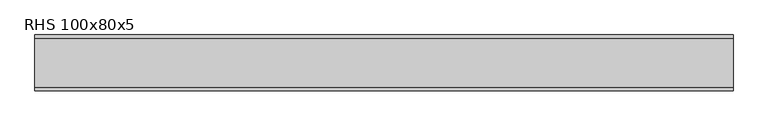
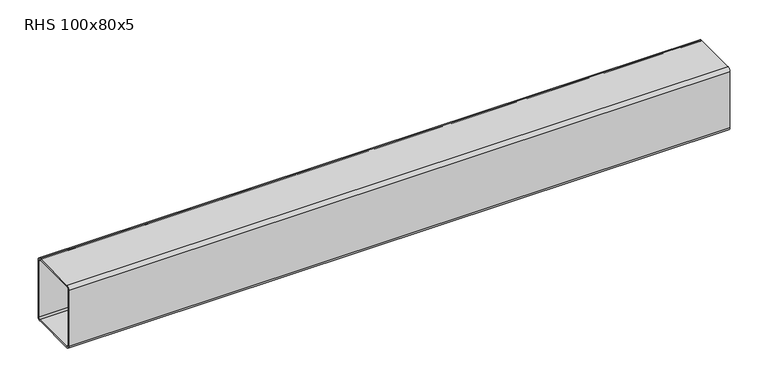
"""IFC4 building model written with IfcOpenShell, lengths in millimetres: beam geometry, RHS 100x80x5."""

from ifc_helpers import new_model, si_unit, point, frame, frame_2d, origin, place, context, project, spatial, polyline, circle_curve, trimmed, segment, composite_curve, outline, extrude, source, transform, mapped, element, save


def rhs_100x80x5_e6e48d72(model_context):
    return source(origin(), model_context, "Body", "SweptSolid", [
        extrude(outline(composite_curve([segment(polyline([(40.0, 45.0), (40.0, -45.0)]), True, "CONTINUOUS"), segment(trimmed(circle_curve(frame_2d((35.0, -45.0)), 5.0), [point((40.0, -45.0))], [point((35.0, -50.0))], False, "CARTESIAN"), True, "CONTINUOUS"), segment(polyline([(35.0, -50.0), (-35.0, -50.0)]), True, "CONTINUOUS"), segment(trimmed(circle_curve(frame_2d((-35.0, -45.0)), 5.0), [point((-35.0, -50.0))], [point((-40.0, -45.0))], False, "CARTESIAN"), True, "CONTINUOUS"), segment(polyline([(-40.0, -45.0), (-40.0, 45.0)]), True, "CONTINUOUS"), segment(trimmed(circle_curve(frame_2d((-35.0, 45.0)), 5.0), [point((-40.0, 45.0))], [point((-35.0, 50.0))], False, "CARTESIAN"), True, "CONTINUOUS"), segment(polyline([(-35.0, 50.0), (35.0, 50.0)]), True, "CONTINUOUS"), segment(trimmed(circle_curve(frame_2d((35.0, 45.0)), 5.0), [point((35.0, 50.0))], [point((40.0, 45.0))], False, "CARTESIAN"), True, "CONTINUOUS")], self_intersect=False), holes=[composite_curve([segment(trimmed(circle_curve(frame_2d((-35.0, 45.0)), 2.5), [point((-35.0, 47.5))], [point((-37.5, 45.0))], True, "CARTESIAN"), True, "CONTINUOUS"), segment(polyline([(-37.5, 45.0), (-37.5, -45.0)]), True, "CONTINUOUS"), segment(trimmed(circle_curve(frame_2d((-35.0, -45.0)), 2.5), [point((-37.5, -45.0))], [point((-35.0, -47.5))], True, "CARTESIAN"), True, "CONTINUOUS"), segment(polyline([(-35.0, -47.5), (35.0, -47.5)]), True, "CONTINUOUS"), segment(trimmed(circle_curve(frame_2d((35.0, -45.0)), 2.5), [point((35.0, -47.5))], [point((37.5, -45.0))], True, "CARTESIAN"), True, "CONTINUOUS"), segment(polyline([(37.5, -45.0), (37.5, 45.0)]), True, "CONTINUOUS"), segment(trimmed(circle_curve(frame_2d((35.0, 45.0)), 2.5), [point((37.5, 45.0))], [point((35.0, 47.5))], True, "CARTESIAN"), True, "CONTINUOUS"), segment(polyline([(35.0, 47.5), (-35.0, 47.5)]), True, "CONTINUOUS")], self_intersect=False)]), frame((-500.4643879, 0.0, 0.0), z_axis=(1.0, 0.0, 0.0), x_axis=(0.0, 1.0, 0.0)), (0.0, 0.0, 1.0), 1000.9287759),
    ])


if __name__ == "__main__":
    model = new_model("IFC4")
    model_context = context("Model", 3, world=origin())
    ifc_project = project(units=[si_unit("LENGTHUNIT", "METRE", prefix="MILLI")], contexts=[model_context])
    site = spatial("IfcSite", under=ifc_project)
    building = spatial("IfcBuilding", under=site)
    placement = place(None, origin())
    rhs_100x80x5_shape = rhs_100x80x5_e6e48d72(model_context)
    element("IfcBeam", 1, ObjectType="RHS 100x80x5", at=placement, inside=building, context=model_context, shape_type="MappedRepresentation", body=[
        mapped(rhs_100x80x5_shape, transform((0.0, 0.0, 0.0), x_axis=(1.0, 0.0, 0.0), y_axis=(0.0, 1.0, 0.0), z_axis=(0.0, 0.0, 1.0))),
    ])
    save(model, "model.ifc")
